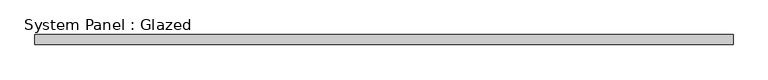
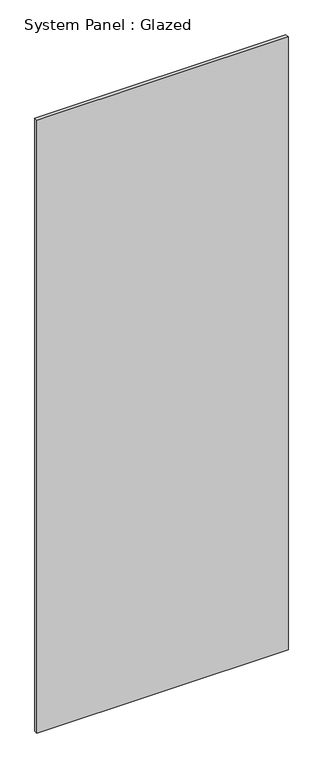
"""IFC4 building model written with IfcOpenShell, lengths in millimetres: plate geometry, System Panel : Glazed."""

from ifc_helpers import new_model, si_unit, origin, origin_with_axes, place, context, project, spatial, polyline, outline, extrude, source, transform, mapped, element, save


def system_panel_glazed_af155060(model_context):
    return source(origin(), model_context, "Body", "SweptSolid", [
        extrude(outline(polyline([(871.7083333, 24.5), (-871.7083333, 24.5), (-871.7083333, 49.5), (871.7083333, 49.5), (871.7083333, 24.5)])), origin_with_axes(), (0.0, 0.0, 1.0), 4500.0),
    ])


if __name__ == "__main__":
    model = new_model("IFC4")
    model_context = context("Model", 3, world=origin())
    ifc_project = project(units=[si_unit("LENGTHUNIT", "METRE", prefix="MILLI")], contexts=[model_context])
    site = spatial("IfcSite", under=ifc_project)
    building = spatial("IfcBuilding", under=site)
    placement = place(None, origin())
    system_panel_glazed_shape = system_panel_glazed_af155060(model_context)
    element("IfcPlate", 1, ObjectType="System Panel : Glazed", at=placement, inside=building, context=model_context, shape_type="MappedRepresentation", body=[
        mapped(system_panel_glazed_shape, transform((0.0, 0.0, 0.0), x_axis=(1.0, 0.0, 0.0), y_axis=(0.0, 1.0, 0.0), z_axis=(0.0, 0.0, 1.0))),
    ])
    save(model, "model.ifc")
